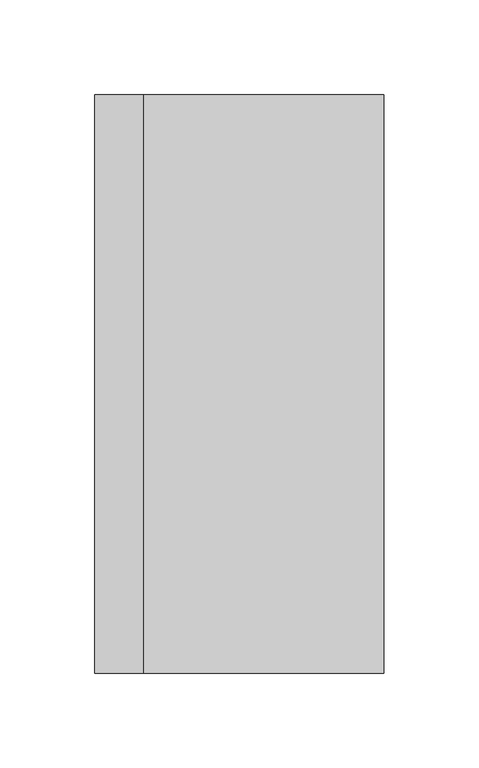
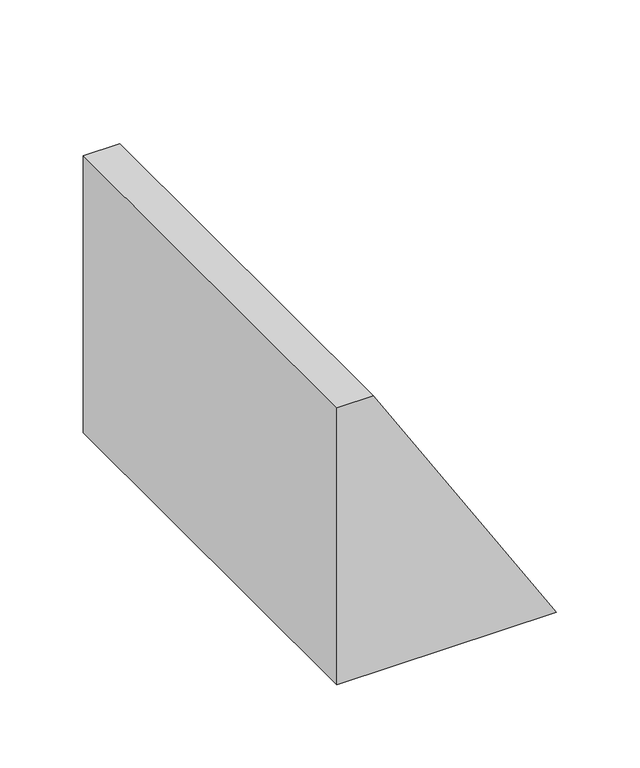
"""IFC4 building model written with IfcOpenShell, lengths in millimetres: proxy geometry."""

from ifc_helpers import new_model, si_unit, frame, origin, place, context, project, spatial, polyline, outline, extrude, source, transform, mapped, element, save


def mechanical_equipment_31ffdec8(model_context):
    return source(origin(), model_context, "Body", "SweptSolid", [
        extrude(outline(polyline([(-101.6, 0.0), (-101.6, 152.4), (101.6, 25.4), (101.6, 0.0), (-101.6, 0.0)])), frame((0.0, -152.4, 0.0), z_axis=(0.0, 1.0, 0.0), x_axis=(0.0, 0.0, 1.0)), (0.0, 0.0, 1.0), 304.8),
    ])


if __name__ == "__main__":
    model = new_model("IFC4")
    model_context = context("Model", 3, world=origin())
    ifc_project = project(units=[si_unit("LENGTHUNIT", "METRE", prefix="MILLI")], contexts=[model_context])
    site = spatial("IfcSite", under=ifc_project)
    building = spatial("IfcBuilding", under=site)
    placement = place(None, origin())
    mechanical_equipment_shape = mechanical_equipment_31ffdec8(model_context)
    element("IfcBuildingElementProxy", 1, Name="Mechanical Equipment", at=placement, inside=building, context=model_context, shape_type="MappedRepresentation", body=[
        mapped(mechanical_equipment_shape, transform((0.0, 0.0, 0.0), x_axis=(1.0, 0.0, 0.0), y_axis=(0.0, 1.0, 0.0), z_axis=(0.0, 0.0, 1.0))),
    ])
    save(model, "model.ifc")
